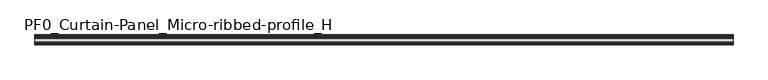
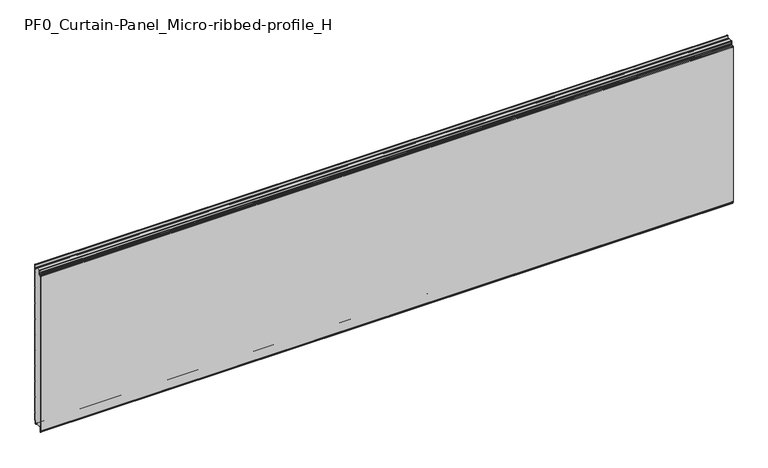
"""IFC4 building model written with IfcOpenShell, lengths in millimetres: plate geometry, PF0_Curtain-Panel_Micro-ribbed-profile_H."""

from ifc_helpers import new_model, si_unit, point, frame, frame_2d, origin, place, context, project, spatial, polyline, circle_curve, trimmed, segment, composite_curve, outline, extrude, source, transform, mapped, element, save
from ifc_brep_helpers import plane_surface, cylinder_surface, revolved_surface, advanced_brep


def pf0_curtain_panel_micro_ribbed_profile_h_419da5c0(model_context):
    return source(origin(), model_context, "Body", "SolidModel", [
        advanced_brep(
        [(-2100.0, -15.878557, 0.0), (-2100.0, -20.0, 0.0), (-2100.0, -20.0, 0.8), (-2100.0, -15.878557, 0.8), (-2100.0, -13.1503208, -1.370137), (-2100.0, -11.728236, -7.529863), (-2100.0, -6.2, -6.9), (-2100.0, -6.2, 8.6), (-2100.0, -3.4, 11.4), (-2100.0, -2.0, 11.4), (-2100.0, -0.8, 12.6), (-2100.0, -0.8, 57.6856412), (-2100.0, -2.482606, 60.6), (-2100.0, -0.8, 63.5143588), (-2100.0, -0.8, 157.6856412), (-2100.0, -2.482606, 160.6), (-2100.0, -0.8, 163.5143588), (-2100.0, -0.8, 257.6856412), (-2100.0, -2.482606, 260.6), (-2100.0, -0.8, 263.5143588), (-2100.0, -0.8, 357.6856412), (-2100.0, -2.482606, 360.6), (-2100.0, -0.8, 363.5143588), (-2100.0, -0.8, 457.6856412), (-2100.0, -2.482606, 460.6), (-2100.0, -0.8, 463.5143588), (-2100.0, -0.8, 557.6856412), (-2100.0, -2.482606, 560.6), (-2100.0, -0.8, 563.5143588), (-2100.0, -0.8, 657.6856412), (-2100.0, -2.482606, 660.6), (-2100.0, -0.8, 663.5143588), (-2100.0, -0.8, 757.6856412), (-2100.0, -2.482606, 760.6), (-2100.0, -0.8, 763.5143588), (-2100.0, -0.8, 857.6856412), (-2100.0, -2.482606, 860.6), (-2100.0, -0.8, 863.5143588), (-2100.0, -0.8, 957.6856412), (-2100.0, -2.482606, 960.6), (-2100.0, -0.8, 963.5143588), (-2100.0, -0.8, 1008.1), (-2100.0, -4.2, 1008.1), (-2100.0, -4.2, 991.1), (-2100.0, -13.7270771, 990.2664884), (-2100.0, -14.8636953, 996.7125669), (-2100.0, -16.6363492, 998.2), (-2100.0, -20.0, 998.2), (-2100.0, -20.0, 999.0), (-2100.0, -16.6363492, 999.0), (-2100.0, -14.0758491, 996.8514855), (-2100.0, -12.939231, 990.405407), (-2100.0, -5.0, 991.1), (-2100.0, -5.0, 1008.1), (-2100.0, -2.5, 1010.6), (-2100.0, 0.0, 1008.1), (-2100.0, 0.0, 963.2999995), (-2100.0, -1.5588455, 960.6), (-2100.0, 0.0, 957.9000005), (-2100.0, 0.0, 863.2999995), (-2100.0, -1.5588455, 860.6), (-2100.0, 0.0, 857.9000005), (-2100.0, 0.0, 763.2999995), (-2100.0, -1.5588455, 760.6), (-2100.0, 0.0, 757.9000005), (-2100.0, 0.0, 663.2999995), (-2100.0, -1.5588455, 660.6), (-2100.0, 0.0, 657.9000005), (-2100.0, 0.0, 563.2999995), (-2100.0, -1.5588455, 560.6), (-2100.0, 0.0, 557.9000005), (-2100.0, 0.0, 463.2999995), (-2100.0, -1.5588455, 460.6), (-2100.0, 0.0, 457.9000005), (-2100.0, 0.0, 363.2999995), (-2100.0, -1.5588455, 360.6), (-2100.0, 0.0, 357.9000005), (-2100.0, 0.0, 263.2999995), (-2100.0, -1.5588455, 260.6), (-2100.0, 0.0, 257.9000005), (-2100.0, 0.0, 163.2999995), (-2100.0, -1.5588455, 160.6), (-2100.0, 0.0, 157.9000005), (-2100.0, 0.0, 63.2999995), (-2100.0, -1.5588455, 60.6), (-2100.0, 0.0, 57.9000005), (-2100.0, 0.0, 12.6), (-2100.0, -2.0, 10.6), (-2100.0, -3.4, 10.6), (-2100.0, -5.4, 8.6), (-2100.0, -5.4, -6.9), (-2100.0, -12.5077322, -7.7098239), (-2100.0, -13.929817, -1.5500979), (2100.0, -15.878557, 0.0), (2100.0, -13.9298169, -1.5500978), (2100.0, -12.507732, -7.7098239), (2100.0, -5.4, -6.9), (2100.0, -5.4, 8.6), (2100.0, -3.4, 10.6), (2100.0, -2.0, 10.6), (2100.0, 0.0, 12.6), (2100.0, 0.0, 57.9000005), (2100.0, -1.5588455, 60.6), (2100.0, 0.0, 63.2999995), (2100.0, 0.0, 157.9000005), (2100.0, -1.5588455, 160.6), (2100.0, 0.0, 163.2999995), (2100.0, 0.0, 257.9000005), (2100.0, -1.5588455, 260.6), (2100.0, 0.0, 263.2999995), (2100.0, 0.0, 357.9000005), (2100.0, -1.5588455, 360.6), (2100.0, 0.0, 363.2999995), (2100.0, 0.0, 457.9000005), (2100.0, -1.5588455, 460.6), (2100.0, 0.0, 463.2999995), (2100.0, 0.0, 557.9000005), (2100.0, -1.5588455, 560.6), (2100.0, 0.0, 563.2999995), (2100.0, 0.0, 657.9000005), (2100.0, -1.5588455, 660.6), (2100.0, 0.0, 663.2999995), (2100.0, 0.0, 757.9000005), (2100.0, -1.5588455, 760.6), (2100.0, 0.0, 763.2999995), (2100.0, 0.0, 857.9000005), (2100.0, -1.5588455, 860.6), (2100.0, 0.0, 863.2999995), (2100.0, 0.0, 957.9000005), (2100.0, -1.5588455, 960.6), (2100.0, 0.0, 963.2999995), (2100.0, 0.0, 1008.1), (2100.0, -2.5, 1010.6), (2100.0, -5.0, 1008.1), (2100.0, -5.0, 991.1), (2100.0, -12.939231, 990.405407), (2100.0, -14.0758491, 996.8514855), (2100.0, -16.6363492, 999.0), (2100.0, -20.0, 999.0), (2100.0, -20.0, 998.2), (2100.0, -16.6363492, 998.2), (2100.0, -14.8636953, 996.7125669), (2100.0, -13.7270772, 990.2664884), (2100.0, -4.2, 991.1), (2100.0, -4.2, 1008.1), (2100.0, -0.8, 1008.1), (2100.0, -0.8, 963.5143588), (2100.0, -2.482606, 960.6), (2100.0, -0.8, 957.6856412), (2100.0, -0.8, 863.5143588), (2100.0, -2.482606, 860.6), (2100.0, -0.8, 857.6856412), (2100.0, -0.8, 763.5143588), (2100.0, -2.482606, 760.6), (2100.0, -0.8, 757.6856412), (2100.0, -0.8, 663.5143588), (2100.0, -2.482606, 660.6), (2100.0, -0.8, 657.6856412), (2100.0, -0.8, 563.5143588), (2100.0, -2.482606, 560.6), (2100.0, -0.8, 557.6856412), (2100.0, -0.8, 463.5143588), (2100.0, -2.482606, 460.6), (2100.0, -0.8, 457.6856412), (2100.0, -0.8, 363.5143588), (2100.0, -2.482606, 360.6), (2100.0, -0.8, 357.6856412), (2100.0, -0.8, 263.5143588), (2100.0, -2.482606, 260.6), (2100.0, -0.8, 257.6856412), (2100.0, -0.8, 163.5143588), (2100.0, -2.482606, 160.6), (2100.0, -0.8, 157.6856412), (2100.0, -0.8, 63.5143588), (2100.0, -2.482606, 60.6), (2100.0, -0.8, 57.6856412), (2100.0, -0.8, 12.6), (2100.0, -2.0, 11.4), (2100.0, -3.4, 11.4), (2100.0, -6.2, 8.6), (2100.0, -6.2, -6.9), (2100.0, -11.7282362, -7.529863), (2100.0, -13.150321, -1.370137), (2100.0, -15.878557, 0.8), (2100.0, -20.0, 0.8), (2100.0, -20.0, 0.0)],
        [
            (0, 1),
            (1, 2),
            (2, 3),
            (3, 4, circle_curve(frame((-2100.0, -15.878557, -2.0), z_axis=(-1.0, 0.0, 0.0), x_axis=(0.0, 0.0, 1.0)), 2.8)),
            (4, 5),
            (5, 6, circle_curve(frame((-2100.0, -9.0, -6.9), z_axis=(1.0, 0.0, 0.0), x_axis=(0.0, 0.0, 1.0)), 2.8)),
            (6, 7),
            (7, 8, circle_curve(frame((-2100.0, -3.4, 8.6), z_axis=(-1.0, 0.0, 0.0), x_axis=(0.0, 0.0, 1.0)), 2.8)),
            (8, 9),
            (9, 10, circle_curve(frame((-2100.0, -2.0, 12.6), z_axis=(1.0, 0.0, 0.0), x_axis=(0.0, 0.0, 1.0)), 1.2)),
            (10, 11),
            (11, 12),
            (12, 13),
            (13, 14),
            (14, 15),
            (15, 16),
            (16, 17),
            (17, 18),
            (18, 19),
            (19, 20),
            (20, 21),
            (21, 22),
            (22, 23),
            (23, 24),
            (24, 25),
            (25, 26),
            (26, 27),
            (27, 28),
            (28, 29),
            (29, 30),
            (30, 31),
            (31, 32),
            (32, 33),
            (33, 34),
            (34, 35),
            (35, 36),
            (36, 37),
            (37, 38),
            (38, 39),
            (39, 40),
            (40, 41),
            (41, 42, circle_curve(frame((-2100.0, -2.5, 1008.1), z_axis=(1.0, 0.0, 0.0), x_axis=(0.0, 0.0, 1.0)), 1.7)),
            (42, 43),
            (43, 44, circle_curve(frame((-2100.0, -9.0, 991.1), z_axis=(-1.0, 0.0, 0.0), x_axis=(0.0, 0.0, 1.0)), 4.8)),
            (44, 45),
            (45, 46, circle_curve(frame((-2100.0, -16.6363492, 996.4), z_axis=(1.0, 0.0, 0.0), x_axis=(0.0, 0.0, 1.0)), 1.8)),
            (46, 47),
            (47, 48),
            (48, 49),
            (49, 50, circle_curve(frame((-2100.0, -16.6363492, 996.4), z_axis=(-1.0, 0.0, 0.0), x_axis=(0.0, 0.0, 1.0)), 2.6)),
            (50, 51),
            (51, 52, circle_curve(frame((-2100.0, -9.0, 991.1), z_axis=(1.0, 0.0, 0.0), x_axis=(0.0, 0.0, 1.0)), 4.0)),
            (52, 53),
            (53, 54, circle_curve(frame((-2100.0, -2.5, 1008.1), z_axis=(-1.0, 0.0, 0.0), x_axis=(0.0, 0.0, 1.0)), 2.5)),
            (54, 55, circle_curve(frame((-2100.0, -2.5, 1008.1), z_axis=(-1.0, 0.0, 0.0), x_axis=(0.0, 0.0, 1.0)), 2.5)),
            (55, 56),
            (56, 57),
            (57, 58),
            (58, 59),
            (59, 60),
            (60, 61),
            (61, 62),
            (62, 63),
            (63, 64),
            (64, 65),
            (65, 66),
            (66, 67),
            (67, 68),
            (68, 69),
            (69, 70),
            (70, 71),
            (71, 72),
            (72, 73),
            (73, 74),
            (74, 75),
            (75, 76),
            (76, 77),
            (77, 78),
            (78, 79),
            (79, 80),
            (80, 81),
            (81, 82),
            (82, 83),
            (83, 84),
            (84, 85),
            (85, 86),
            (86, 87, circle_curve(frame((-2100.0, -2.0, 12.6), z_axis=(-1.0, 0.0, 0.0), x_axis=(0.0, 0.0, 1.0)), 2.0)),
            (87, 88),
            (88, 89, circle_curve(frame((-2100.0, -3.4, 8.6), z_axis=(1.0, 0.0, 0.0), x_axis=(0.0, 0.0, 1.0)), 2.0)),
            (89, 90),
            (90, 91, circle_curve(frame((-2100.0, -9.0, -6.9), z_axis=(-1.0, 0.0, 0.0), x_axis=(0.0, 0.0, 1.0)), 3.6)),
            (91, 92),
            (92, 0, circle_curve(frame((-2100.0, -15.878557, -2.0), z_axis=(1.0, 0.0, 0.0), x_axis=(0.0, 0.0, 1.0)), 2.0)),
            (93, 94, circle_curve(frame((2100.0, -15.878557, -2.0), z_axis=(-1.0, 0.0, 0.0), x_axis=(0.0, 0.0, 1.0)), 2.0)),
            (94, 95),
            (95, 96, circle_curve(frame((2100.0, -9.0, -6.9), z_axis=(1.0, 0.0, 0.0), x_axis=(0.0, 0.0, 1.0)), 3.6)),
            (96, 97),
            (97, 98, circle_curve(frame((2100.0, -3.4, 8.6), z_axis=(-1.0, 0.0, 0.0), x_axis=(0.0, 0.0, 1.0)), 2.0)),
            (98, 99),
            (99, 100, circle_curve(frame((2100.0, -2.0, 12.6), z_axis=(1.0, 0.0, 0.0), x_axis=(0.0, 0.0, 1.0)), 2.0)),
            (100, 101),
            (101, 102),
            (102, 103),
            (103, 104),
            (104, 105),
            (105, 106),
            (106, 107),
            (107, 108),
            (108, 109),
            (109, 110),
            (110, 111),
            (111, 112),
            (112, 113),
            (113, 114),
            (114, 115),
            (115, 116),
            (116, 117),
            (117, 118),
            (118, 119),
            (119, 120),
            (120, 121),
            (121, 122),
            (122, 123),
            (123, 124),
            (124, 125),
            (125, 126),
            (126, 127),
            (127, 128),
            (128, 129),
            (129, 130),
            (130, 131),
            (131, 132, circle_curve(frame((2100.0, -2.5, 1008.1), z_axis=(1.0, 0.0, 0.0), x_axis=(0.0, 0.0, 1.0)), 2.5)),
            (132, 133, circle_curve(frame((2100.0, -2.5, 1008.1), z_axis=(1.0, 0.0, 0.0), x_axis=(0.0, 0.0, 1.0)), 2.5)),
            (133, 134),
            (134, 135, circle_curve(frame((2100.0, -9.0, 991.1), z_axis=(-1.0, 0.0, 0.0), x_axis=(0.0, 0.0, 1.0)), 4.0)),
            (135, 136),
            (136, 137, circle_curve(frame((2100.0, -16.6363492, 996.4), z_axis=(1.0, 0.0, 0.0), x_axis=(0.0, 0.0, 1.0)), 2.6)),
            (137, 138),
            (138, 139),
            (139, 140),
            (140, 141, circle_curve(frame((2100.0, -16.6363492, 996.4), z_axis=(-1.0, 0.0, 0.0), x_axis=(0.0, 0.0, 1.0)), 1.8)),
            (141, 142),
            (142, 143, circle_curve(frame((2100.0, -9.0, 991.1), z_axis=(1.0, 0.0, 0.0), x_axis=(0.0, 0.0, 1.0)), 4.8)),
            (143, 144),
            (144, 145, circle_curve(frame((2100.0, -2.5, 1008.1), z_axis=(-1.0, 0.0, 0.0), x_axis=(0.0, 0.0, 1.0)), 1.7)),
            (145, 146),
            (146, 147),
            (147, 148),
            (148, 149),
            (149, 150),
            (150, 151),
            (151, 152),
            (152, 153),
            (153, 154),
            (154, 155),
            (155, 156),
            (156, 157),
            (157, 158),
            (158, 159),
            (159, 160),
            (160, 161),
            (161, 162),
            (162, 163),
            (163, 164),
            (164, 165),
            (165, 166),
            (166, 167),
            (167, 168),
            (168, 169),
            (169, 170),
            (170, 171),
            (171, 172),
            (172, 173),
            (173, 174),
            (174, 175),
            (175, 176),
            (176, 177, circle_curve(frame((2100.0, -2.0, 12.6), z_axis=(-1.0, 0.0, 0.0), x_axis=(0.0, 0.0, 1.0)), 1.2)),
            (177, 178),
            (178, 179, circle_curve(frame((2100.0, -3.4, 8.6), z_axis=(1.0, 0.0, 0.0), x_axis=(0.0, 0.0, 1.0)), 2.8)),
            (179, 180),
            (180, 181, circle_curve(frame((2100.0, -9.0, -6.9), z_axis=(-1.0, 0.0, 0.0), x_axis=(0.0, 0.0, 1.0)), 2.8)),
            (181, 182),
            (182, 183, circle_curve(frame((2100.0, -15.878557, -2.0), z_axis=(1.0, 0.0, 0.0), x_axis=(0.0, 0.0, 1.0)), 2.8)),
            (183, 184),
            (184, 185),
            (185, 93),
            (0, 93),
            (185, 1),
            (184, 2),
            (183, 3),
            (182, 4),
            (181, 5),
            (180, 6),
            (179, 7),
            (178, 8),
            (177, 9),
            (176, 10),
            (175, 11),
            (174, 12),
            (173, 13),
            (172, 14),
            (171, 15),
            (170, 16),
            (169, 17),
            (168, 18),
            (167, 19),
            (166, 20),
            (165, 21),
            (164, 22),
            (163, 23),
            (162, 24),
            (161, 25),
            (160, 26),
            (159, 27),
            (158, 28),
            (157, 29),
            (156, 30),
            (155, 31),
            (154, 32),
            (153, 33),
            (152, 34),
            (151, 35),
            (150, 36),
            (149, 37),
            (148, 38),
            (147, 39),
            (146, 40),
            (145, 41),
            (144, 42),
            (143, 43),
            (142, 44),
            (141, 45),
            (140, 46),
            (139, 47),
            (138, 48),
            (137, 49),
            (136, 50),
            (135, 51),
            (134, 52),
            (133, 53),
            (131, 55),
            (130, 56),
            (129, 57),
            (128, 58),
            (127, 59),
            (126, 60),
            (125, 61),
            (124, 62),
            (123, 63),
            (122, 64),
            (121, 65),
            (120, 66),
            (119, 67),
            (118, 68),
            (117, 69),
            (116, 70),
            (115, 71),
            (114, 72),
            (113, 73),
            (112, 74),
            (111, 75),
            (110, 76),
            (109, 77),
            (108, 78),
            (107, 79),
            (106, 80),
            (105, 81),
            (104, 82),
            (103, 83),
            (102, 84),
            (101, 85),
            (100, 86),
            (99, 87),
            (98, 88),
            (97, 89),
            (96, 90),
            (95, 91),
            (94, 92),
        ],
        [
            plane_surface(frame((-2100.0, 0.0, 0.0), z_axis=(-1.0, 0.0, 0.0), x_axis=(0.0, 1.0, 0.0))),
            plane_surface(frame((2100.0, 0.0, 0.0), z_axis=(1.0, 0.0, 0.0), x_axis=(0.0, 1.0, 0.0))),
            plane_surface(frame((-2100.0, -15.878557, 0.0), z_axis=(0.0, 0.0, -1.0), x_axis=(1.0, 0.0, 0.0))),
            plane_surface(frame((-2100.0, -20.0, 0.0), z_axis=(0.0, -1.0, 0.0), x_axis=(1.0, 0.0, 0.0))),
            plane_surface(frame((-2100.0, -20.0, 0.8), z_axis=(0.0, 0.0, 1.0), x_axis=(1.0, 0.0, 0.0))),
            cylinder_surface(frame((-2100.0, -15.878557, -2.0), z_axis=(-1.0, 0.0, 0.0), x_axis=(0.0, 0.0, 1.0)), 2.8),
            plane_surface(frame((-2100.0, -13.150321, -1.370137), z_axis=(0.0, 0.9743700578318181, 0.22495108446242168), x_axis=(1.0, 0.0, 0.0))),
            revolved_surface(polyline([(2100.0, -9.0, -4.1000000000000005), (-2100.0, -9.0, -4.1000000000000005)]), (-2100.0, -9.0, -6.9), (1.0, 0.0, 0.0)),
            plane_surface(frame((-2100.0, -6.2, -6.9), z_axis=(0.0, -1.0, 0.0), x_axis=(1.0, 0.0, 0.0))),
            cylinder_surface(frame((-2100.0, -3.4, 8.6), z_axis=(-1.0, 0.0, 0.0), x_axis=(0.0, 0.0, 1.0)), 2.8),
            plane_surface(frame((-2100.0, -3.4, 11.4), z_axis=(0.0, 0.0, 1.0), x_axis=(1.0, 0.0, 0.0))),
            revolved_surface(polyline([(2100.0, -2.0, 13.799999999999999), (-2100.0, -2.0, 13.799999999999999)]), (-2100.0, -2.0, 12.6), (1.0, 0.0, 0.0)),
            plane_surface(frame((-2100.0, -0.8, 12.6), z_axis=(0.0, -1.0, 0.0), x_axis=(1.0, 0.0, 0.0))),
            plane_surface(frame((-2100.0, -0.8, 57.6856412), z_axis=(0.0, -0.8660253865035757, -0.5000000299313314), x_axis=(1.0, 0.0, 0.0))),
            plane_surface(frame((-2100.0, -2.482606, 60.6), z_axis=(0.0, -0.8660253865035789, 0.5000000299313261), x_axis=(1.0, 0.0, 0.0))),
            plane_surface(frame((-2100.0, -0.8, 63.5143588), z_axis=(0.0, -1.0, 0.0), x_axis=(1.0, 0.0, 0.0))),
            plane_surface(frame((-2100.0, -0.8, 157.6856412), z_axis=(0.0, -0.8660253865035755, -0.5000000299313319), x_axis=(1.0, 0.0, 0.0))),
            plane_surface(frame((-2100.0, -2.482606, 160.6), z_axis=(0.0, -0.8660253865035777, 0.5000000299313279), x_axis=(1.0, 0.0, 0.0))),
            plane_surface(frame((-2100.0, -0.8, 163.5143588), z_axis=(0.0, -1.0, 0.0), x_axis=(1.0, 0.0, 0.0))),
            plane_surface(frame((-2100.0, -0.8, 257.6856412), z_axis=(0.0, -0.8660253865035755, -0.5000000299313319), x_axis=(1.0, 0.0, 0.0))),
            plane_surface(frame((-2100.0, -2.482606, 260.6), z_axis=(0.0, -0.8660253865035777, 0.5000000299313279), x_axis=(1.0, 0.0, 0.0))),
            plane_surface(frame((-2100.0, -0.8, 263.5143588), z_axis=(0.0, -1.0, 0.0), x_axis=(1.0, 0.0, 0.0))),
            plane_surface(frame((-2100.0, -0.8, 357.6856412), z_axis=(0.0, -0.8660253865035754, -0.500000029931332), x_axis=(1.0, 0.0, 0.0))),
            plane_surface(frame((-2100.0, -2.482606, 360.6), z_axis=(0.0, -0.8660253865035789, 0.5000000299313261), x_axis=(1.0, 0.0, 0.0))),
            plane_surface(frame((-2100.0, -0.8, 363.5143588), z_axis=(0.0, -1.0, 0.0), x_axis=(1.0, 0.0, 0.0))),
            plane_surface(frame((-2100.0, -0.8, 457.6856412), z_axis=(0.0, -0.8660253865035755, -0.5000000299313319), x_axis=(1.0, 0.0, 0.0))),
            plane_surface(frame((-2100.0, -2.482606, 460.6), z_axis=(0.0, -0.8660253865035785, 0.5000000299313266), x_axis=(1.0, 0.0, 0.0))),
            plane_surface(frame((-2100.0, -0.8, 463.5143588), z_axis=(0.0, -1.0, 0.0), x_axis=(1.0, 0.0, 0.0))),
            plane_surface(frame((-2100.0, -0.8, 557.6856412), z_axis=(0.0, -0.8660253865035755, -0.500000029931332), x_axis=(1.0, 0.0, 0.0))),
            plane_surface(frame((-2100.0, -2.482606, 560.6), z_axis=(0.0, -0.8660253865035789, 0.500000029931326), x_axis=(1.0, 0.0, 0.0))),
            plane_surface(frame((-2100.0, -0.8, 563.5143588), z_axis=(0.0, -1.0, 0.0), x_axis=(1.0, 0.0, 0.0))),
            plane_surface(frame((-2100.0, -0.8, 657.6856412), z_axis=(0.0, -0.8660253865035755, -0.5000000299313317), x_axis=(1.0, 0.0, 0.0))),
            plane_surface(frame((-2100.0, -2.482606, 660.6), z_axis=(0.0, -0.8660253865035772, 0.5000000299313291), x_axis=(1.0, 0.0, 0.0))),
            plane_surface(frame((-2100.0, -0.8, 663.5143588), z_axis=(0.0, -1.0, 0.0), x_axis=(1.0, 0.0, 0.0))),
            plane_surface(frame((-2100.0, -0.8, 757.6856412), z_axis=(0.0, -0.8660253865035755, -0.5000000299313319), x_axis=(1.0, 0.0, 0.0))),
            plane_surface(frame((-2100.0, -2.482606, 760.6), z_axis=(0.0, -0.8660253865035771, 0.5000000299313291), x_axis=(1.0, 0.0, 0.0))),
            plane_surface(frame((-2100.0, -0.8, 763.5143588), z_axis=(0.0, -1.0, 0.0), x_axis=(1.0, 0.0, 0.0))),
            plane_surface(frame((-2100.0, -0.8, 857.6856412), z_axis=(0.0, -0.8660253865035755, -0.5000000299313319), x_axis=(1.0, 0.0, 0.0))),
            plane_surface(frame((-2100.0, -2.482606, 860.6), z_axis=(0.0, -0.8660253865035775, 0.5000000299313283), x_axis=(1.0, 0.0, 0.0))),
            plane_surface(frame((-2100.0, -0.8, 863.5143588), z_axis=(0.0, -1.0, 0.0), x_axis=(1.0, 0.0, 0.0))),
            plane_surface(frame((-2100.0, -0.8, 957.6856412), z_axis=(0.0, -0.8660253865035755, -0.500000029931332), x_axis=(1.0, 0.0, 0.0))),
            plane_surface(frame((-2100.0, -2.482606, 960.6), z_axis=(0.0, -0.8660253865035771, 0.5000000299313291), x_axis=(1.0, 0.0, 0.0))),
            plane_surface(frame((-2100.0, -0.8, 963.5143588), z_axis=(0.0, -1.0, 0.0), x_axis=(1.0, 0.0, 0.0))),
            revolved_surface(polyline([(2100.0, -2.5, 1009.8000000000001), (-2100.0, -2.5, 1009.8000000000001)]), (-2100.0, -2.5, 1008.1), (1.0, 0.0, 0.0)),
            plane_surface(frame((-2100.0, -4.2, 1008.1), z_axis=(0.0, 1.0, 0.0), x_axis=(1.0, 0.0, 0.0))),
            cylinder_surface(frame((-2100.0, -9.0, 991.1), z_axis=(-1.0, 0.0, 0.0), x_axis=(0.0, 0.0, 1.0)), 4.8),
            plane_surface(frame((-2100.0, -13.7270772, 990.2664884), z_axis=(0.0, -0.9848077391954005, -0.17364825602592165), x_axis=(1.0, 0.0, 0.0))),
            revolved_surface(polyline([(2100.0, -16.6363492, 998.1999999999999), (-2100.0, -16.6363492, 998.1999999999999)]), (-2100.0, -16.6363492, 996.4), (1.0, 0.0, 0.0)),
            plane_surface(frame((-2100.0, -16.6363492, 998.2), z_axis=(0.0, 0.0, -1.0), x_axis=(1.0, 0.0, 0.0))),
            plane_surface(frame((-2100.0, -20.0, 998.2), z_axis=(0.0, -1.0, 0.0), x_axis=(1.0, 0.0, 0.0))),
            plane_surface(frame((-2100.0, -20.0, 999.0), z_axis=(0.0, 0.0, 1.0), x_axis=(1.0, 0.0, 0.0))),
            cylinder_surface(frame((-2100.0, -16.6363492, 996.4), z_axis=(-1.0, 0.0, 0.0), x_axis=(0.0, 0.0, 1.0)), 2.6),
            plane_surface(frame((-2100.0, -14.0758491, 996.8514855), z_axis=(0.0, 0.9848077391954003, 0.1736482560259224), x_axis=(1.0, 0.0, 0.0))),
            revolved_surface(polyline([(2100.0, -9.0, 995.1), (-2100.0, -9.0, 995.1)]), (-2100.0, -9.0, 991.1), (1.0, 0.0, 0.0)),
            plane_surface(frame((-2100.0, -5.0, 991.1), z_axis=(0.0, -1.0, 0.0), x_axis=(1.0, 0.0, 0.0))),
            cylinder_surface(frame((-2100.0, -2.5, 1008.1), z_axis=(-1.0, 0.0, 0.0), x_axis=(0.0, 0.0, 1.0)), 2.5),
            plane_surface(frame((-2100.0, 0.0, 1008.1), z_axis=(0.0, 1.0, 0.0), x_axis=(1.0, 0.0, 0.0))),
            plane_surface(frame((-2100.0, 0.0, 963.2999995), z_axis=(0.0, 0.8660253865035786, -0.5000000299313263), x_axis=(1.0, 0.0, 0.0))),
            plane_surface(frame((-2100.0, -1.5588455, 960.6), z_axis=(0.0, 0.8660253865035755, 0.5000000299313319), x_axis=(1.0, 0.0, 0.0))),
            plane_surface(frame((-2100.0, 0.0, 957.9000005), z_axis=(0.0, 1.0, 0.0), x_axis=(1.0, 0.0, 0.0))),
            plane_surface(frame((-2100.0, 0.0, 863.2999995), z_axis=(0.0, 0.8660253865035786, -0.5000000299313263), x_axis=(1.0, 0.0, 0.0))),
            plane_surface(frame((-2100.0, -1.5588455, 860.6), z_axis=(0.0, 0.8660253865035755, 0.5000000299313319), x_axis=(1.0, 0.0, 0.0))),
            plane_surface(frame((-2100.0, 0.0, 857.9000005), z_axis=(0.0, 1.0, 0.0), x_axis=(1.0, 0.0, 0.0))),
            plane_surface(frame((-2100.0, 0.0, 763.2999995), z_axis=(0.0, 0.8660253865035786, -0.5000000299313263), x_axis=(1.0, 0.0, 0.0))),
            plane_surface(frame((-2100.0, -1.5588455, 760.6), z_axis=(0.0, 0.8660253865035755, 0.5000000299313319), x_axis=(1.0, 0.0, 0.0))),
            plane_surface(frame((-2100.0, 0.0, 757.9000005), z_axis=(0.0, 1.0, 0.0), x_axis=(1.0, 0.0, 0.0))),
            plane_surface(frame((-2100.0, 0.0, 663.2999995), z_axis=(0.0, 0.8660253865035786, -0.5000000299313263), x_axis=(1.0, 0.0, 0.0))),
            plane_surface(frame((-2100.0, -1.5588455, 660.6), z_axis=(0.0, 0.8660253865035755, 0.5000000299313319), x_axis=(1.0, 0.0, 0.0))),
            plane_surface(frame((-2100.0, 0.0, 657.9000005), z_axis=(0.0, 1.0, 0.0), x_axis=(1.0, 0.0, 0.0))),
            plane_surface(frame((-2100.0, 0.0, 563.2999995), z_axis=(0.0, 0.8660253865035786, -0.5000000299313263), x_axis=(1.0, 0.0, 0.0))),
            plane_surface(frame((-2100.0, -1.5588455, 560.6), z_axis=(0.0, 0.8660253865035755, 0.5000000299313319), x_axis=(1.0, 0.0, 0.0))),
            plane_surface(frame((-2100.0, 0.0, 557.9000005), z_axis=(0.0, 1.0, 0.0), x_axis=(1.0, 0.0, 0.0))),
            plane_surface(frame((-2100.0, 0.0, 463.2999995), z_axis=(0.0, 0.8660253865035786, -0.5000000299313263), x_axis=(1.0, 0.0, 0.0))),
            plane_surface(frame((-2100.0, -1.5588455, 460.6), z_axis=(0.0, 0.8660253865035755, 0.5000000299313319), x_axis=(1.0, 0.0, 0.0))),
            plane_surface(frame((-2100.0, 0.0, 457.9000005), z_axis=(0.0, 1.0, 0.0), x_axis=(1.0, 0.0, 0.0))),
            plane_surface(frame((-2100.0, 0.0, 363.2999995), z_axis=(0.0, 0.8660253865035786, -0.5000000299313263), x_axis=(1.0, 0.0, 0.0))),
            plane_surface(frame((-2100.0, -1.5588455, 360.6), z_axis=(0.0, 0.8660253865035755, 0.5000000299313319), x_axis=(1.0, 0.0, 0.0))),
            plane_surface(frame((-2100.0, 0.0, 357.9000005), z_axis=(0.0, 1.0, 0.0), x_axis=(1.0, 0.0, 0.0))),
            plane_surface(frame((-2100.0, 0.0, 263.2999995), z_axis=(0.0, 0.8660253865035786, -0.5000000299313263), x_axis=(1.0, 0.0, 0.0))),
            plane_surface(frame((-2100.0, -1.5588455, 260.6), z_axis=(0.0, 0.8660253865035755, 0.5000000299313319), x_axis=(1.0, 0.0, 0.0))),
            plane_surface(frame((-2100.0, 0.0, 257.9000005), z_axis=(0.0, 1.0, 0.0), x_axis=(1.0, 0.0, 0.0))),
            plane_surface(frame((-2100.0, 0.0, 163.2999995), z_axis=(0.0, 0.8660253865035786, -0.5000000299313263), x_axis=(1.0, 0.0, 0.0))),
            plane_surface(frame((-2100.0, -1.5588455, 160.6), z_axis=(0.0, 0.8660253865035755, 0.5000000299313319), x_axis=(1.0, 0.0, 0.0))),
            plane_surface(frame((-2100.0, 0.0, 157.9000005), z_axis=(0.0, 1.0, 0.0), x_axis=(1.0, 0.0, 0.0))),
            plane_surface(frame((-2100.0, 0.0, 63.2999995), z_axis=(0.0, 0.8660253865035786, -0.5000000299313263), x_axis=(1.0, 0.0, 0.0))),
            plane_surface(frame((-2100.0, -1.5588455, 60.6), z_axis=(0.0, 0.8660253865035755, 0.5000000299313319), x_axis=(1.0, 0.0, 0.0))),
            plane_surface(frame((-2100.0, 0.0, 57.9000005), z_axis=(0.0, 1.0, 0.0), x_axis=(1.0, 0.0, 0.0))),
            cylinder_surface(frame((-2100.0, -2.0, 12.6), z_axis=(-1.0, 0.0, 0.0), x_axis=(0.0, 0.0, 1.0)), 2.0),
            plane_surface(frame((-2100.0, -2.0, 10.6), z_axis=(0.0, 0.0, -1.0), x_axis=(1.0, 0.0, 0.0))),
            revolved_surface(polyline([(2100.0, -3.4, 10.6), (-2100.0, -3.4, 10.6)]), (-2100.0, -3.4, 8.6), (1.0, 0.0, 0.0)),
            plane_surface(frame((-2100.0, -5.4, 8.6), z_axis=(0.0, 1.0, 0.0), x_axis=(1.0, 0.0, 0.0))),
            cylinder_surface(frame((-2100.0, -9.0, -6.9), z_axis=(-1.0, 0.0, 0.0), x_axis=(0.0, 0.0, 1.0)), 3.6),
            plane_surface(frame((-2100.0, -12.507732, -7.7098239), z_axis=(0.0, -0.9743700578318182, -0.22495108446242174), x_axis=(1.0, 0.0, 0.0))),
            revolved_surface(polyline([(2100.0, -15.878557, 0.0), (-2100.0, -15.878557, 0.0)]), (-2100.0, -15.878557, -2.0), (1.0, 0.0, 0.0)),
        ],
        [
            (0, [[1, 2, 3, 4, 5, 6, 7, 8, 9, 10, 11, 12, 13, 14, 15, 16, 17, 18, 19, 20, 21, 22, 23, 24, 25, 26, 27, 28, 29, 30, 31, 32, 33, 34, 35, 36, 37, 38, 39, 40, 41, 42, 43, 44, 45, 46, 47, 48, 49, 50, 51, 52, 53, 54, 55, 56, 57, 58, 59, 60, 61, 62, 63, 64, 65, 66, 67, 68, 69, 70, 71, 72, 73, 74, 75, 76, 77, 78, 79, 80, 81, 82, 83, 84, 85, 86, 87, 88, 89, 90, 91, 92, 93]]),
            (1, [[94, 95, 96, 97, 98, 99, 100, 101, 102, 103, 104, 105, 106, 107, 108, 109, 110, 111, 112, 113, 114, 115, 116, 117, 118, 119, 120, 121, 122, 123, 124, 125, 126, 127, 128, 129, 130, 131, 132, 133, 134, 135, 136, 137, 138, 139, 140, 141, 142, 143, 144, 145, 146, 147, 148, 149, 150, 151, 152, 153, 154, 155, 156, 157, 158, 159, 160, 161, 162, 163, 164, 165, 166, 167, 168, 169, 170, 171, 172, 173, 174, 175, 176, 177, 178, 179, 180, 181, 182, 183, 184, 185, 186]]),
            (2, [[-1, 187, -186, 188]]),
            (3, [[-2, -188, -185, 189]]),
            (4, [[-3, -189, -184, 190]]),
            (5, [[-4, -190, -183, 191]]),
            (6, [[-5, -191, -182, 192]]),
            (7, [[-6, -192, -181, 193]]),
            (8, [[-7, -193, -180, 194]]),
            (9, [[-8, -194, -179, 195]]),
            (10, [[-9, -195, -178, 196]]),
            (11, [[-10, -196, -177, 197]]),
            (12, [[-11, -197, -176, 198]]),
            (13, [[-12, -198, -175, 199]]),
            (14, [[-13, -199, -174, 200]]),
            (15, [[-14, -200, -173, 201]]),
            (16, [[-15, -201, -172, 202]]),
            (17, [[-16, -202, -171, 203]]),
            (18, [[-17, -203, -170, 204]]),
            (19, [[-18, -204, -169, 205]]),
            (20, [[-19, -205, -168, 206]]),
            (21, [[-20, -206, -167, 207]]),
            (22, [[-21, -207, -166, 208]]),
            (23, [[-22, -208, -165, 209]]),
            (24, [[-23, -209, -164, 210]]),
            (25, [[-24, -210, -163, 211]]),
            (26, [[-25, -211, -162, 212]]),
            (27, [[-26, -212, -161, 213]]),
            (28, [[-27, -213, -160, 214]]),
            (29, [[-28, -214, -159, 215]]),
            (30, [[-29, -215, -158, 216]]),
            (31, [[-30, -216, -157, 217]]),
            (32, [[-31, -217, -156, 218]]),
            (33, [[-32, -218, -155, 219]]),
            (34, [[-33, -219, -154, 220]]),
            (35, [[-34, -220, -153, 221]]),
            (36, [[-35, -221, -152, 222]]),
            (37, [[-36, -222, -151, 223]]),
            (38, [[-37, -223, -150, 224]]),
            (39, [[-38, -224, -149, 225]]),
            (40, [[-39, -225, -148, 226]]),
            (41, [[-40, -226, -147, 227]]),
            (42, [[-41, -227, -146, 228]]),
            (43, [[-42, -228, -145, 229]]),
            (44, [[-43, -229, -144, 230]]),
            (45, [[-44, -230, -143, 231]]),
            (46, [[-45, -231, -142, 232]]),
            (47, [[-46, -232, -141, 233]]),
            (48, [[-47, -233, -140, 234]]),
            (49, [[-48, -234, -139, 235]]),
            (50, [[-49, -235, -138, 236]]),
            (51, [[-50, -236, -137, 237]]),
            (52, [[-51, -237, -136, 238]]),
            (53, [[-52, -238, -135, 239]]),
            (54, [[-53, -239, -134, 240]]),
            (55, [[-240, -133, -132, 241, -55, -54]]),
            (56, [[-56, -241, -131, 242]]),
            (57, [[-57, -242, -130, 243]]),
            (58, [[-58, -243, -129, 244]]),
            (59, [[-59, -244, -128, 245]]),
            (60, [[-60, -245, -127, 246]]),
            (61, [[-61, -246, -126, 247]]),
            (62, [[-62, -247, -125, 248]]),
            (63, [[-63, -248, -124, 249]]),
            (64, [[-64, -249, -123, 250]]),
            (65, [[-65, -250, -122, 251]]),
            (66, [[-66, -251, -121, 252]]),
            (67, [[-67, -252, -120, 253]]),
            (68, [[-68, -253, -119, 254]]),
            (69, [[-69, -254, -118, 255]]),
            (70, [[-70, -255, -117, 256]]),
            (71, [[-71, -256, -116, 257]]),
            (72, [[-72, -257, -115, 258]]),
            (73, [[-73, -258, -114, 259]]),
            (74, [[-74, -259, -113, 260]]),
            (75, [[-75, -260, -112, 261]]),
            (76, [[-76, -261, -111, 262]]),
            (77, [[-77, -262, -110, 263]]),
            (78, [[-78, -263, -109, 264]]),
            (79, [[-79, -264, -108, 265]]),
            (80, [[-80, -265, -107, 266]]),
            (81, [[-81, -266, -106, 267]]),
            (82, [[-82, -267, -105, 268]]),
            (83, [[-83, -268, -104, 269]]),
            (84, [[-84, -269, -103, 270]]),
            (85, [[-85, -270, -102, 271]]),
            (86, [[-86, -271, -101, 272]]),
            (87, [[-87, -272, -100, 273]]),
            (88, [[-88, -273, -99, 274]]),
            (89, [[-89, -274, -98, 275]]),
            (90, [[-90, -275, -97, 276]]),
            (91, [[-91, -276, -96, 277]]),
            (92, [[-92, -277, -95, 278]]),
            (93, [[-93, -278, -94, -187]]),
        ],
    ),
        extrude(outline(composite_curve([segment(polyline([(-50.0, 0.0), (-53.5, 0.0)]), True, "CONTINUOUS"), segment(trimmed(circle_curve(frame_2d((-53.5, -2.0)), 2.0), [point((-53.5, 0.0))], [point((-55.5, -2.0))], True, "CARTESIAN"), True, "CONTINUOUS"), segment(polyline([(-55.5, -2.0), (-55.5, -33.0)]), True, "CONTINUOUS"), segment(trimmed(circle_curve(frame_2d((-56.5, -33.0)), 1.0), [point((-55.5, -33.0))], [point((-57.5, -33.0))], False, "CARTESIAN"), True, "CONTINUOUS"), segment(polyline([(-57.5, -33.0), (-57.5, -26.9)]), True, "CONTINUOUS"), segment(trimmed(circle_curve(frame_2d((-58.4, -26.9)), 0.9), [point((-57.5, -26.9))], [point((-58.4, -26.0))], True, "CARTESIAN"), True, "CONTINUOUS"), segment(trimmed(circle_curve(frame_2d((-58.4, -24.4)), 1.6), [point((-58.4, -26.0))], [point((-60.0, -24.4))], False, "CARTESIAN"), True, "CONTINUOUS"), segment(polyline([(-60.0, -24.4), (-60.0, 973.0)]), True, "CONTINUOUS"), segment(trimmed(circle_curve(frame_2d((-59.0, 973.0)), 1.0), [point((-60.0, 973.0))], [point((-58.0, 973.0))], False, "CARTESIAN"), True, "CONTINUOUS"), segment(polyline([(-58.0, 973.0), (-58.0, 967.0)]), True, "CONTINUOUS"), segment(trimmed(circle_curve(frame_2d((-56.5, 967.0)), 1.5), [point((-58.0, 967.0))], [point((-55.0, 967.0))], True, "CARTESIAN"), True, "CONTINUOUS"), segment(polyline([(-55.0, 967.0), (-55.0, 967.8276204)]), True, "CONTINUOUS"), segment(trimmed(circle_curve(frame_2d((-48.8276204, 967.8276204)), 6.1723796), [point((-55.0, 967.8276204))], [point((-48.8276204, 974.0))], False, "CARTESIAN"), True, "CONTINUOUS"), segment(polyline([(-48.8276204, 974.0), (-48.0, 974.0)]), True, "CONTINUOUS"), segment(trimmed(circle_curve(frame_2d((-48.0, 975.0)), 1.0), [point((-48.0, 974.0))], [point((-47.0, 975.0))], True, "CARTESIAN"), True, "CONTINUOUS"), segment(polyline([(-47.0, 975.0), (-47.0, 981.5000012), (-45.4999999, 983.0), (-47.0, 984.4999988), (-47.0, 996.4)]), True, "CONTINUOUS"), segment(trimmed(circle_curve(frame_2d((-44.4, 996.4)), 2.6), [point((-47.0, 996.4))], [point((-44.4, 999.0))], False, "CARTESIAN"), True, "CONTINUOUS"), segment(polyline([(-44.4, 999.0), (-43.0, 999.0), (-43.0, 998.2), (-44.4, 998.2)]), True, "CONTINUOUS"), segment(trimmed(circle_curve(frame_2d((-44.4, 996.4)), 1.8), [point((-44.4, 998.2))], [point((-46.2, 996.4))], True, "CARTESIAN"), True, "CONTINUOUS"), segment(polyline([(-46.2, 996.4), (-46.2, 984.8313698), (-44.3686285, 983.0), (-46.2, 981.1686302), (-46.2, 975.0)]), True, "CONTINUOUS"), segment(trimmed(circle_curve(frame_2d((-48.0, 975.0)), 1.8), [point((-46.2, 975.0))], [point((-48.0, 973.2))], False, "CARTESIAN"), True, "CONTINUOUS"), segment(polyline([(-48.0, 973.2), (-48.8276204, 973.2)]), True, "CONTINUOUS"), segment(trimmed(circle_curve(frame_2d((-48.8276204, 967.8276204)), 5.3723796), [point((-48.8276204, 973.2))], [point((-54.2, 967.8276204))], True, "CARTESIAN"), True, "CONTINUOUS"), segment(polyline([(-54.2, 967.8276204), (-54.2, 967.0)]), True, "CONTINUOUS"), segment(trimmed(circle_curve(frame_2d((-56.4, 967.0)), 2.2), [point((-54.2, 967.0))], [point((-58.6, 967.0))], False, "CARTESIAN"), True, "CONTINUOUS"), segment(polyline([(-58.6, 967.0), (-58.6, 972.8891513)]), True, "CONTINUOUS"), segment(trimmed(circle_curve(frame_2d((-58.9, 972.8891513)), 0.3), [point((-58.6, 972.8891513))], [point((-59.2, 972.8891513))], True, "CARTESIAN"), True, "CONTINUOUS"), segment(polyline([(-59.2, 972.8891513), (-59.2, -24.4)]), True, "CONTINUOUS"), segment(trimmed(circle_curve(frame_2d((-58.4, -24.4)), 0.8), [point((-59.2, -24.4))], [point((-58.4, -25.2))], True, "CARTESIAN"), True, "CONTINUOUS"), segment(trimmed(circle_curve(frame_2d((-58.6133333, -26.9)), 1.7133333), [point((-58.4, -25.2))], [point((-56.9, -26.9))], False, "CARTESIAN"), True, "CONTINUOUS"), segment(polyline([(-56.9, -26.9), (-56.9, -32.8700312)]), True, "CONTINUOUS"), segment(trimmed(circle_curve(frame_2d((-56.6, -32.8700312)), 0.3), [point((-56.9, -32.8700312))], [point((-56.3, -32.8700312))], True, "CARTESIAN"), True, "CONTINUOUS"), segment(polyline([(-56.3, -32.8700312), (-56.3, -2.0)]), True, "CONTINUOUS"), segment(trimmed(circle_curve(frame_2d((-53.5, -2.0)), 2.8), [point((-56.3, -2.0))], [point((-53.5, 0.8))], False, "CARTESIAN"), True, "CONTINUOUS"), segment(polyline([(-53.5, 0.8), (-50.0, 0.8), (-50.0, 0.0)]), True, "CONTINUOUS")], self_intersect=False)), frame((-2100.0, 0.0, 0.0), z_axis=(1.0, 0.0, 0.0), x_axis=(0.0, 1.0, 0.0)), (0.0, 0.0, 1.0), 4200.0),
        extrude(outline(composite_curve([segment(polyline([(-50.0, 0.8), (-53.5, 0.8)]), True, "CONTINUOUS"), segment(trimmed(circle_curve(frame_2d((-53.5, -2.0)), 2.8), [point((-53.5, 0.8))], [point((-56.3, -2.0))], True, "CARTESIAN"), True, "CONTINUOUS"), segment(polyline([(-56.3, -2.0), (-56.3, -32.8700312)]), True, "CONTINUOUS"), segment(trimmed(circle_curve(frame_2d((-56.6, -32.8700312)), 0.3), [point((-56.3, -32.8700312))], [point((-56.9, -32.8700312))], False, "CARTESIAN"), True, "CONTINUOUS"), segment(polyline([(-56.9, -32.8700312), (-56.9, -26.9)]), True, "CONTINUOUS"), segment(trimmed(circle_curve(frame_2d((-58.6133333, -26.9)), 1.7133333), [point((-56.9, -26.9))], [point((-58.4, -25.2))], True, "CARTESIAN"), True, "CONTINUOUS"), segment(trimmed(circle_curve(frame_2d((-58.4, -24.4)), 0.8), [point((-58.4, -25.2))], [point((-59.2, -24.4))], False, "CARTESIAN"), True, "CONTINUOUS"), segment(polyline([(-59.2, -24.4), (-59.2, 972.8891513)]), True, "CONTINUOUS"), segment(trimmed(circle_curve(frame_2d((-58.9, 972.8891513)), 0.3), [point((-59.2, 972.8891513))], [point((-58.6, 972.8891513))], False, "CARTESIAN"), True, "CONTINUOUS"), segment(polyline([(-58.6, 972.8891513), (-58.6, 967.0)]), True, "CONTINUOUS"), segment(trimmed(circle_curve(frame_2d((-56.4, 967.0)), 2.2), [point((-58.6, 967.0))], [point((-54.2, 967.0))], True, "CARTESIAN"), True, "CONTINUOUS"), segment(polyline([(-54.2, 967.0), (-54.2, 967.8276204)]), True, "CONTINUOUS"), segment(trimmed(circle_curve(frame_2d((-48.8276204, 967.8276204)), 5.3723796), [point((-54.2, 967.8276204))], [point((-48.8276204, 973.2))], False, "CARTESIAN"), True, "CONTINUOUS"), segment(polyline([(-48.8276204, 973.2), (-48.0, 973.2)]), True, "CONTINUOUS"), segment(trimmed(circle_curve(frame_2d((-48.0, 975.0)), 1.8), [point((-48.0, 973.2))], [point((-46.2, 975.0))], True, "CARTESIAN"), True, "CONTINUOUS"), segment(polyline([(-46.2, 975.0), (-46.2, 981.1686302), (-44.3686285, 983.0), (-46.2, 984.8313698), (-46.2, 996.4)]), True, "CONTINUOUS"), segment(trimmed(circle_curve(frame_2d((-44.4, 996.4)), 1.8), [point((-46.2, 996.4))], [point((-44.4, 998.2))], False, "CARTESIAN"), True, "CONTINUOUS"), segment(polyline([(-44.4, 998.2), (-43.0, 998.2), (-43.0, 999.0), (-20.0, 999.0), (-20.0, 998.2), (-16.6363492, 998.2)]), True, "CONTINUOUS"), segment(trimmed(circle_curve(frame_2d((-16.6363492, 996.4)), 1.8), [point((-16.6363492, 998.2))], [point((-14.8636953, 996.7125669))], False, "CARTESIAN"), True, "CONTINUOUS"), segment(polyline([(-14.8636953, 996.7125669), (-13.7270772, 990.2664884)]), True, "CONTINUOUS"), segment(trimmed(circle_curve(frame_2d((-9.0, 991.1)), 4.8), [point((-13.7270772, 990.2664884))], [point((-4.2, 991.1))], True, "CARTESIAN"), True, "CONTINUOUS"), segment(polyline([(-4.2, 991.1), (-4.2, 1008.1)]), True, "CONTINUOUS"), segment(trimmed(circle_curve(frame_2d((-2.5, 1008.1)), 1.7), [point((-4.2, 1008.1))], [point((-0.8, 1008.1))], False, "CARTESIAN"), True, "CONTINUOUS"), segment(polyline([(-0.8, 1008.1), (-0.8, 963.5143588), (-2.482606, 960.6), (-0.8, 957.6856412), (-0.8, 863.5143588), (-2.482606, 860.6), (-0.8, 857.6856412), (-0.8, 763.5143588), (-2.482606, 760.6), (-0.8, 757.6856412), (-0.8, 663.5143588), (-2.482606, 660.6), (-0.8, 657.6856412), (-0.8, 563.5143588), (-2.482606, 560.6), (-0.8, 557.6856412), (-0.8, 463.5143588), (-2.482606, 460.6), (-0.8, 457.6856412), (-0.8, 363.5143588), (-2.482606, 360.6), (-0.8, 357.6856412), (-0.8, 263.5143588), (-2.482606, 260.6), (-0.8, 257.6856412), (-0.8, 163.5143588), (-2.482606, 160.6), (-0.8, 157.6856412), (-0.8, 63.5143588), (-2.482606, 60.6), (-0.8, 57.6856412), (-0.8, 12.6)]), True, "CONTINUOUS"), segment(trimmed(circle_curve(frame_2d((-2.0, 12.6)), 1.2), [point((-0.8, 12.6))], [point((-2.0, 11.4))], False, "CARTESIAN"), True, "CONTINUOUS"), segment(polyline([(-2.0, 11.4), (-3.4, 11.4)]), True, "CONTINUOUS"), segment(trimmed(circle_curve(frame_2d((-3.4, 8.6)), 2.8), [point((-3.4, 11.4))], [point((-6.2, 8.6))], True, "CARTESIAN"), True, "CONTINUOUS"), segment(polyline([(-6.2, 8.6), (-6.2, -6.9)]), True, "CONTINUOUS"), segment(trimmed(circle_curve(frame_2d((-9.0, -6.9)), 2.8), [point((-6.2, -6.9))], [point((-11.7282362, -7.529863))], False, "CARTESIAN"), True, "CONTINUOUS"), segment(polyline([(-11.7282362, -7.529863), (-13.1503208, -1.370137)]), True, "CONTINUOUS"), segment(trimmed(circle_curve(frame_2d((-15.878557, -2.0)), 2.8), [point((-13.1503208, -1.370137))], [point((-15.878557, 0.8))], True, "CARTESIAN"), True, "CONTINUOUS"), segment(polyline([(-15.878557, 0.8), (-20.0, 0.8), (-20.0, 0.0), (-50.0, 0.0), (-50.0, 0.8)]), True, "CONTINUOUS")], self_intersect=False)), frame((-2100.0, 0.0, 0.0), z_axis=(1.0, 0.0, 0.0), x_axis=(0.0, 1.0, 0.0)), (0.0, 0.0, 1.0), 4200.0),
    ])


if __name__ == "__main__":
    model = new_model("IFC4")
    model_context = context("Model", 3, world=origin())
    ifc_project = project(units=[si_unit("LENGTHUNIT", "METRE", prefix="MILLI")], contexts=[model_context])
    site = spatial("IfcSite", under=ifc_project)
    building = spatial("IfcBuilding", under=site)
    placement = place(None, origin())
    pf0_curtain_panel_micro_ribbed_profile_h_shape = pf0_curtain_panel_micro_ribbed_profile_h_419da5c0(model_context)
    element("IfcPlate", 1, ObjectType="PF0_Curtain-Panel_Micro-ribbed-profile_H", at=placement, inside=building, context=model_context, shape_type="MappedRepresentation", body=[
        mapped(pf0_curtain_panel_micro_ribbed_profile_h_shape, transform((0.0, 0.0, 0.0), x_axis=(1.0, 0.0, 0.0), y_axis=(0.0, 1.0, 0.0), z_axis=(0.0, 0.0, 1.0))),
    ])
    save(model, "model.ifc")
